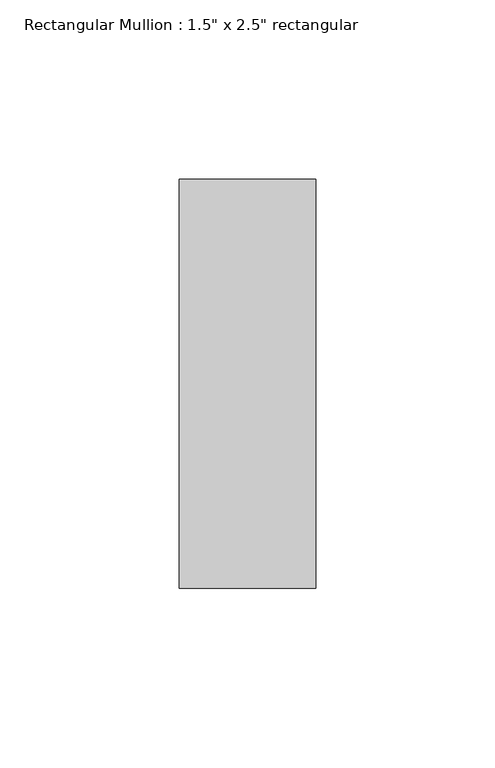
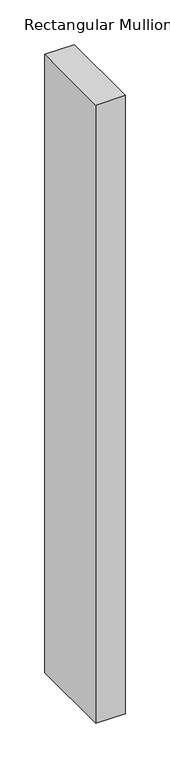
"""IFC4 building model written with IfcOpenShell, lengths in millimetres: member geometry."""

from ifc_helpers import new_model, si_unit, frame, origin, place, context, project, spatial, polyline, outline, extrude, source, transform, mapped, element, save


def member_ae3a3b8c(model_context):
    return source(origin(), model_context, "Body", "SweptSolid", [
        extrude(outline(polyline([(0.0, 57.15), (0.0, -57.15), (-38.1, -57.15), (-38.1, 57.15), (0.0, 57.15)])), frame((0.0, 0.0, -845.2919147), z_axis=(0.0, 0.0, 1.0), x_axis=(1.0, 0.0, 0.0)), (0.0, 0.0, 1.0), 845.2919147),
    ])


if __name__ == "__main__":
    model = new_model("IFC4")
    model_context = context("Model", 3, world=origin())
    ifc_project = project(units=[si_unit("LENGTHUNIT", "METRE", prefix="MILLI")], contexts=[model_context])
    site = spatial("IfcSite", under=ifc_project)
    building = spatial("IfcBuilding", under=site)
    placement = place(None, origin())
    member_shape = member_ae3a3b8c(model_context)
    element("IfcMember", 1, ObjectType="Rectangular Mullion : 1.5\" x 2.5\" rectangular", at=placement, inside=building, context=model_context, shape_type="MappedRepresentation", body=[
        mapped(member_shape, transform((0.0, 0.0, 0.0), x_axis=(1.0, 0.0, 0.0), y_axis=(0.0, 1.0, 0.0), z_axis=(0.0, 0.0, 1.0))),
    ])
    save(model, "model.ifc")
